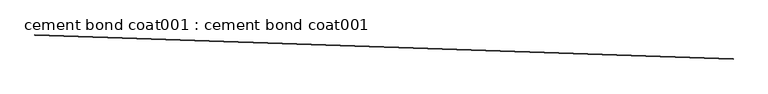
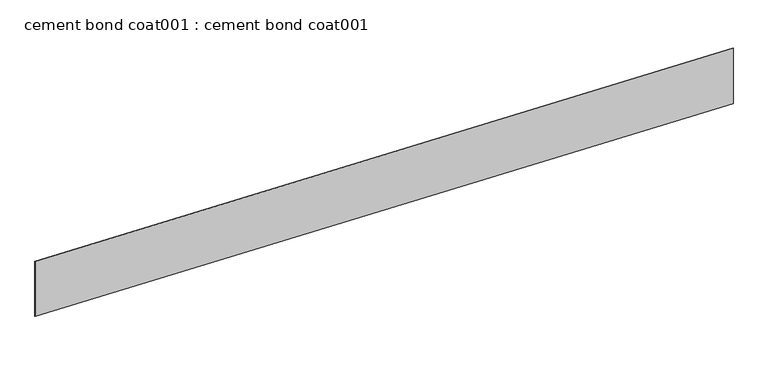
"""IFC4 building model written with IfcOpenShell, lengths in millimetres: proxy geometry, cement bond coat001 : cement bond coat001."""

from ifc_helpers import new_model, si_unit, frame, origin, place, context, project, spatial, polyline, outline, extrude, source, transform, mapped, element, save


def cement_bond_coat001_cement_bond_coat001_925559b3(model_context):
    return source(origin(), model_context, "Body", "SweptSolid", [
        extrude(outline(polyline([(17307.0490687, -14556.8571614), (34365.8629317, -15140.6405354), (34365.6457504, -15146.9868203), (17306.8318874, -14563.2034463), (17307.0490687, -14556.8571614)])), frame((0.0, 0.0, 4260.0221586), z_axis=(0.0, 0.0, 1.0), x_axis=(1.0, 0.0, 0.0)), (0.0, 0.0, 1.0), 1454.3410494),
    ])


if __name__ == "__main__":
    model = new_model("IFC4")
    model_context = context("Model", 3, world=origin())
    ifc_project = project(units=[si_unit("LENGTHUNIT", "METRE", prefix="MILLI")], contexts=[model_context])
    site = spatial("IfcSite", under=ifc_project)
    building = spatial("IfcBuilding", under=site)
    placement = place(None, origin())
    cement_bond_coat001_cement_bond_coat001_shape = cement_bond_coat001_cement_bond_coat001_925559b3(model_context)
    element("IfcBuildingElementProxy", 1, Name="cement bond coat001 : cement bond coat001", ObjectType="cement bond coat001 : cement bond coat001", at=placement, inside=building, context=model_context, shape_type="MappedRepresentation", body=[
        mapped(cement_bond_coat001_cement_bond_coat001_shape, transform((0.0, 0.0, 0.0), x_axis=(1.0, 0.0, 0.0), y_axis=(0.0, 1.0, 0.0), z_axis=(0.0, 0.0, 1.0))),
    ])
    save(model, "model.ifc")
